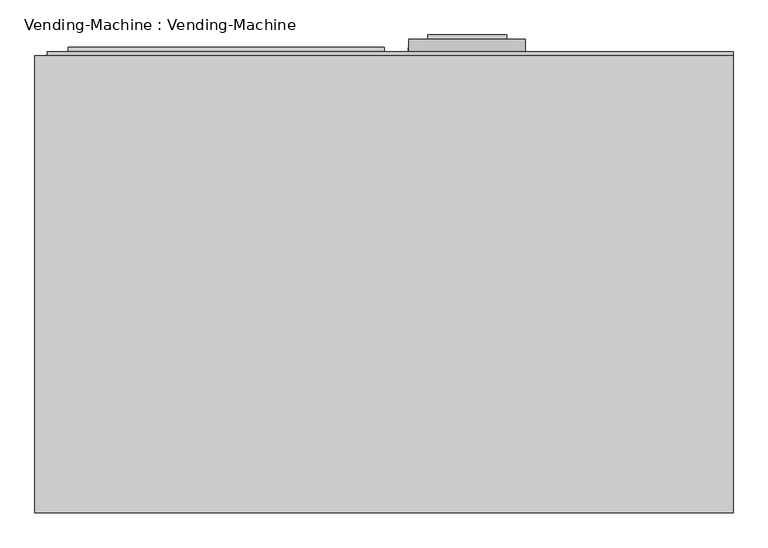
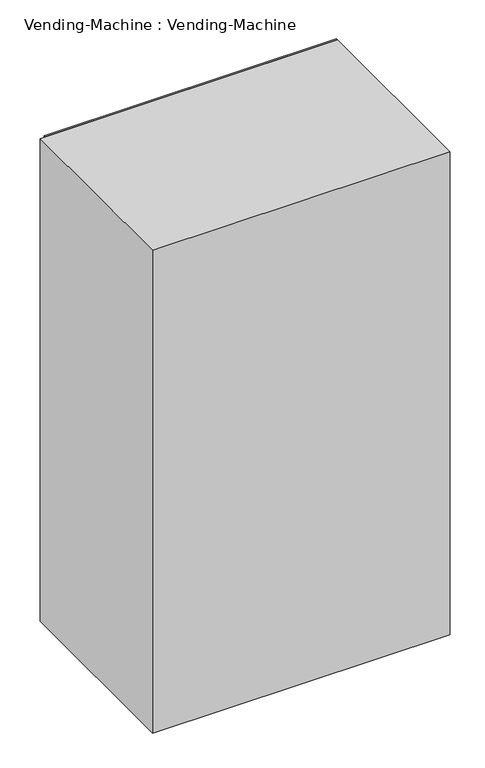
"""IFC4 building model written with IfcOpenShell, lengths in millimetres: proxy geometry, Vending-Machine : Vending-Machine."""

from ifc_helpers import new_model, si_unit, point, frame, frame_2d, origin, place, context, project, spatial, polyline, circle_curve, trimmed, segment, composite_curve, outline, extrude, faceted_brep, source, transform, mapped, element, save


def vending_machine_vending_machine_7bf7d310(model_context):
    return source(origin(), model_context, "Body", "SolidModel", [
        extrude(outline(polyline([(187.6810598, 381.0), (187.6810598, 374.65), (67.0310598, 374.65), (67.0310598, 381.0), (187.6810598, 381.0)])), frame((0.0, 0.0, 1419.4456944), z_axis=(0.0, 0.0, 1.0), x_axis=(1.0, 0.0, 0.0)), (0.0, 0.0, 1.0), 50.8),
        extrude(outline(polyline([(166.4129851, 381.0), (166.4129851, 374.65), (90.2129851, 374.65), (90.2129851, 381.0), (166.4129851, 381.0)])), frame((0.0, 0.0, 1291.0554886), z_axis=(0.0, 0.0, 1.0), x_axis=(1.0, 0.0, 0.0)), (0.0, 0.0, 1.0), 88.9),
        extrude(outline(polyline([(166.4129851, 381.0), (166.4129851, 374.65), (90.2129851, 374.65), (90.2129851, 381.0), (166.4129851, 381.0)])), frame((0.0, 0.0, 1030.5995865), z_axis=(0.0, 0.0, 1.0), x_axis=(1.0, 0.0, 0.0)), (0.0, 0.0, 1.0), 97.771959),
        extrude(outline(composite_curve([segment(trimmed(circle_curve(frame_2d((928.0582637, 90.2129851)), 19.05), [point((928.0582637, 71.1629851))], [point((928.0582637, 109.2629851))], False, "CARTESIAN"), True, "CONTINUOUS"), segment(trimmed(circle_curve(frame_2d((928.0582637, 90.2129851)), 19.05), [point((928.0582637, 109.2629851))], [point((928.0582637, 71.1629851))], False, "CARTESIAN"), True, "CONTINUOUS")], self_intersect=False)), frame((0.0, 374.65, 0.0), z_axis=(0.0, 1.0, 0.0), x_axis=(0.0, 0.0, 1.0)), (0.0, 0.0, 1.0), 6.35),
        extrude(outline(composite_curve([segment(trimmed(circle_curve(frame_2d((928.0582637, 166.4129851)), 19.05), [point((928.0582637, 147.3629851))], [point((928.0582637, 185.4629851))], False, "CARTESIAN"), True, "CONTINUOUS"), segment(trimmed(circle_curve(frame_2d((928.0582637, 166.4129851)), 19.05), [point((928.0582637, 185.4629851))], [point((928.0582637, 147.3629851))], False, "CARTESIAN"), True, "CONTINUOUS")], self_intersect=False)), frame((0.0, 374.65, 0.0), z_axis=(0.0, 1.0, 0.0), x_axis=(0.0, 0.0, 1.0)), (0.0, 0.0, 1.0), 6.35),
        extrude(outline(polyline([(187.6810598, 381.0), (187.6810598, 374.65), (67.0310598, 374.65), (67.0310598, 381.0), (187.6810598, 381.0)])), frame((0.0, 0.0, 1148.6413418), z_axis=(0.0, 0.0, 1.0), x_axis=(1.0, 0.0, 0.0)), (0.0, 0.0, 1.0), 122.8111192),
        extrude(outline(polyline([(0.0, 300.8219542), (0.0, -167.2944124), (-514.35, -167.2944124), (-514.35, 300.8219542), (0.0, 300.8219542)])), frame((0.0, 0.0, 1413.9333333), z_axis=(0.0, 0.0, 1.0), x_axis=(1.0, 0.0, 0.0)), (0.0, 0.0, 1.0), 19.05),
        extrude(outline(polyline([(0.0, 300.8219542), (0.0, -167.2944124), (-514.35, -167.2944124), (-514.35, 300.8219542), (0.0, 300.8219542)])), frame((0.0, 0.0, 1265.7666667), z_axis=(0.0, 0.0, 1.0), x_axis=(1.0, 0.0, 0.0)), (0.0, 0.0, 1.0), 19.05),
        extrude(outline(polyline([(0.0, 300.8219542), (0.0, -167.2944124), (-514.35, -167.2944124), (-514.35, 300.8219542), (0.0, 300.8219542)])), frame((0.0, 0.0, 1117.6), z_axis=(0.0, 0.0, 1.0), x_axis=(1.0, 0.0, 0.0)), (0.0, 0.0, 1.0), 19.05),
        extrude(outline(polyline([(0.0, 300.8219542), (0.0, -167.2944124), (-514.35, -167.2944124), (-514.35, 300.8219542), (0.0, 300.8219542)])), frame((0.0, 0.0, 969.4333333), z_axis=(0.0, 0.0, 1.0), x_axis=(1.0, 0.0, 0.0)), (0.0, 0.0, 1.0), 19.05),
        extrude(outline(polyline([(0.0, 300.8219542), (0.0, -167.2944124), (-514.35, -167.2944124), (-514.35, 300.8219542), (0.0, 300.8219542)])), frame((0.0, 0.0, 821.2666667), z_axis=(0.0, 0.0, 1.0), x_axis=(1.0, 0.0, 0.0)), (0.0, 0.0, 1.0), 19.05),
        extrude(outline(polyline([(0.0, 300.8219542), (0.0, -167.2944124), (-514.35, -167.2944124), (-514.35, 300.8219542), (0.0, 300.8219542)])), frame((0.0, 0.0, 1562.1), z_axis=(0.0, 0.0, 1.0), x_axis=(1.0, 0.0, 0.0)), (0.0, 0.0, 1.0), 19.05),
        extrude(outline(polyline([(0.0, 349.25), (0.0, -330.2), (-514.35, -330.2), (-514.35, 349.25), (0.0, 349.25)])), frame((0.0, 0.0, 533.4), z_axis=(0.0, 0.0, 1.0), x_axis=(1.0, 0.0, 0.0)), (0.0, 0.0, 1.0), 19.05),
        extrude(outline(polyline([(0.0, 300.8219542), (0.0, -167.2944124), (-514.35, -167.2944124), (-514.35, 300.8219542), (0.0, 300.8219542)])), frame((0.0, 0.0, 673.1), z_axis=(0.0, 0.0, 1.0), x_axis=(1.0, 0.0, 0.0)), (0.0, 0.0, 1.0), 19.05),
        faceted_brep([(533.4, -349.25, 1828.8), (533.4, 349.25, 1828.8), (-533.4, 349.25, 1828.8), (-533.4, -349.25, 1828.8), (533.4, -349.25, 0.0), (-533.4, -349.25, 0.0), (-533.4, 349.25, 0.0), (533.4, 349.25, 0.0), (0.0, -330.2, 0.0), (0.0, 330.2, 0.0), (-514.35, 330.2, 0.0), (-514.35, -330.2, 0.0), (-514.35, 349.25, 533.4), (0.0, 349.25, 533.4), (0.0, 349.25, 1739.9), (-514.35, 349.25, 1739.9), (-514.35, 330.2, 533.4), (-514.35, 330.2, 1739.9), (-514.35, 330.2, 1809.75), (-514.35, -330.2, 1809.75), (0.0, -330.2, 1809.75), (0.0, 330.2, 1809.75), (0.0, 330.2, 1739.9), (0.0, 330.2, 533.4)], [[[0, 1, 2, 3]], [[4, 5, 6, 7], [8, 9, 10, 11]], [[3, 5, 4, 0]], [[2, 6, 5, 3]], [[1, 7, 6, 2], [12, 13, 14, 15]], [[10, 16, 12, 15, 17, 18, 19, 11]], [[11, 19, 20, 8]], [[8, 20, 21, 22, 14, 13, 23, 9]], [[0, 4, 7, 1]], [[23, 13, 12, 16]], [[16, 10, 9, 23]], [[18, 21, 20, 19]], [[14, 22, 17, 15]], [[22, 21, 18, 17]]]),
        extrude(outline(polyline([(1727.2, 0.0), (1727.2, -482.6), (533.4, -482.6), (533.4, 0.0), (1727.2, 0.0)]), holes=[polyline([(1708.15, -19.05), (552.45, -19.05), (552.45, -463.55), (1708.15, -463.55), (1708.15, -19.05)])]), frame((0.0, 349.25, 0.0), z_axis=(0.0, 1.0, 0.0), x_axis=(0.0, 0.0, 1.0)), (0.0, 0.0, 1.0), 12.7),
        extrude(outline(composite_curve([segment(polyline([(508.2755303, 202.0450175), (508.2755303, 49.6450175)]), True, "CONTINUOUS"), segment(trimmed(circle_curve(frame_2d((495.5755303, 49.6450175)), 12.7), [point((508.2755303, 49.6450175))], [point((495.5755303, 36.9450175))], False, "CARTESIAN"), True, "CONTINUOUS"), segment(polyline([(495.5755303, 36.9450175), (343.1755303, 36.9450175)]), True, "CONTINUOUS"), segment(trimmed(circle_curve(frame_2d((343.1755303, 49.6450175)), 12.7), [point((343.1755303, 36.9450175))], [point((330.4755303, 49.6450175))], False, "CARTESIAN"), True, "CONTINUOUS"), segment(polyline([(330.4755303, 49.6450175), (330.4755303, 202.0450175)]), True, "CONTINUOUS"), segment(trimmed(circle_curve(frame_2d((343.1755303, 202.0450175)), 12.7), [point((330.4755303, 202.0450175))], [point((343.1755303, 214.7450175))], False, "CARTESIAN"), True, "CONTINUOUS"), segment(polyline([(343.1755303, 214.7450175), (495.5755303, 214.7450175)]), True, "CONTINUOUS"), segment(trimmed(circle_curve(frame_2d((495.5755303, 202.0450175)), 12.7), [point((495.5755303, 214.7450175))], [point((508.2755303, 202.0450175))], False, "CARTESIAN"), True, "CONTINUOUS")], self_intersect=False), holes=[polyline([(495.5755303, 202.0450175), (343.1755303, 202.0450175), (343.1755303, 49.6450175), (495.5755303, 49.6450175), (495.5755303, 202.0450175)])]), frame((0.0, 349.25, 0.0), z_axis=(0.0, 1.0, 0.0), x_axis=(0.0, 0.0, 1.0)), (0.0, 0.0, 1.0), 12.7),
        extrude(outline(polyline([(253.9643958, -14.6706463), (253.9643958, -465.5206463), (76.1643958, -465.5206463), (76.1643958, -14.6706463), (253.9643958, -14.6706463)]), holes=[polyline([(241.2643958, -27.3706463), (88.8643958, -27.3706463), (88.8643958, -452.8206463), (241.2643958, -452.8206463), (241.2643958, -27.3706463)])]), frame((0.0, 349.25, 0.0), z_axis=(0.0, 1.0, 0.0), x_axis=(0.0, 0.0, 1.0)), (0.0, 0.0, 1.0), 12.7),
        extrude(outline(composite_curve([segment(trimmed(circle_curve(frame_2d((1374.4223131, 126.7077692)), 158.5424922), [point((1505.6949754, 215.6077692))], [point((1505.6949754, 37.8077692))], False, "CARTESIAN"), True, "CONTINUOUS"), segment(polyline([(1505.6949754, 37.8077692), (857.9949754, 37.8077692)]), True, "CONTINUOUS"), segment(trimmed(circle_curve(frame_2d((989.2676376, 126.7077692)), 158.5424922), [point((857.9949754, 37.8077692))], [point((857.9949754, 215.6077692))], False, "CARTESIAN"), True, "CONTINUOUS"), segment(polyline([(857.9949754, 215.6077692), (1505.6949754, 215.6077692)]), True, "CONTINUOUS")], self_intersect=False)), frame((0.0, 349.25, 0.0), z_axis=(0.0, 1.0, 0.0), x_axis=(0.0, 0.0, 1.0)), (0.0, 0.0, 1.0), 25.4),
        extrude(outline(polyline([(0.0, 533.4), (1828.8, 533.4), (1828.8, -514.35), (0.0, -514.35), (0.0, 533.4)]), holes=[polyline([(279.4, 0.0), (279.4, 520.7), (50.8, 520.7), (50.8, -482.6), (1727.2, -482.6), (1727.2, 0.0), (279.4, 0.0)]), polyline([(1739.9, -482.6), (1816.1, -482.6), (1816.1, 520.7), (292.1, 520.7), (292.1, 12.7), (1739.9, 12.7), (1739.9, -482.6)])]), frame((0.0, 349.25, 0.0), z_axis=(0.0, 1.0, 0.0), x_axis=(0.0, 0.0, 1.0)), (0.0, 0.0, 1.0), 6.35),
    ])


if __name__ == "__main__":
    model = new_model("IFC4")
    model_context = context("Model", 3, world=origin())
    ifc_project = project(units=[si_unit("LENGTHUNIT", "METRE", prefix="MILLI")], contexts=[model_context])
    site = spatial("IfcSite", under=ifc_project)
    building = spatial("IfcBuilding", under=site)
    placement = place(None, origin())
    vending_machine_vending_machine_shape = vending_machine_vending_machine_7bf7d310(model_context)
    element("IfcBuildingElementProxy", 1, Name="Vending-Machine : Vending-Machine", ObjectType="Vending-Machine : Vending-Machine", at=placement, inside=building, context=model_context, shape_type="MappedRepresentation", body=[
        mapped(vending_machine_vending_machine_shape, transform((0.0, 0.0, 0.0), x_axis=(1.0, 0.0, 0.0), y_axis=(0.0, 1.0, 0.0), z_axis=(0.0, 0.0, 1.0))),
    ])
    save(model, "model.ifc")
